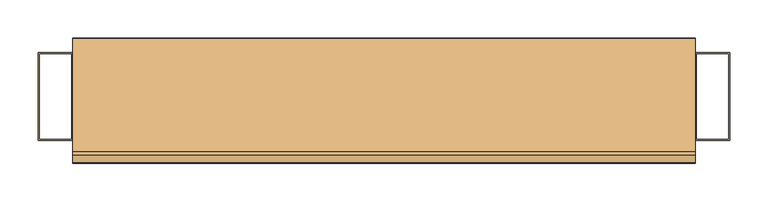
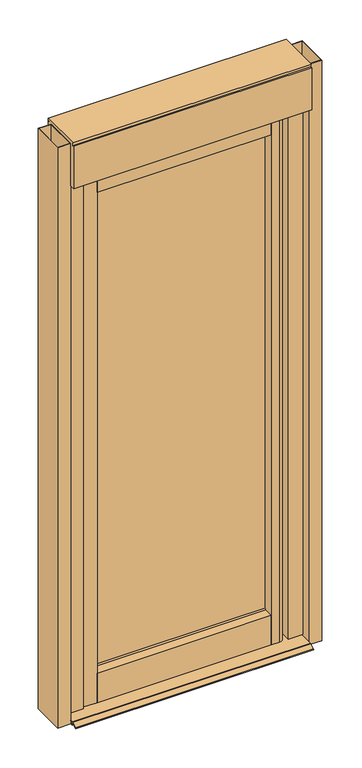
"""IFC4 building model written with IfcOpenShell, lengths in millimetres: door geometry."""

from ifc_helpers import new_model, si_unit, point, frame, frame_2d, origin, origin_with_axes, place, context, project, spatial, polyline, circle_curve, trimmed, segment, composite_curve, outline, extrude, source, transform, mapped, element, save
from ifc_brep_helpers import plane_surface, revolved_surface, advanced_brep


def door_f2a5f385(model_context):
    return source(origin(), model_context, "Body", "SolidModel", [
        extrude(outline(polyline([(405.3405018, -25.0173222), (354.3584229, -25.0173222), (354.3584229, 24.9826778), (405.3405018, 24.9826778), (405.3405018, -25.0173222)])), frame((0.0, 0.0, 18.6653125), z_axis=(0.0, 0.0, 1.0), x_axis=(1.0, 0.0, 0.0)), (0.0, 0.0, 1.0), 1919.3346875),
        extrude(outline(polyline([(-405.3405018, -25.0), (-405.3405018, 25.0), (-344.1213612, 25.0), (-344.1213612, -25.0), (-405.3405018, -25.0)])), origin_with_axes(), (0.0, 0.0, 1.0), 1938.0),
        extrude(outline(polyline([(-296.5892895, -25.0037342), (-341.5892895, -25.0037342), (-341.5892895, 24.9905166), (-296.5892895, 24.9905166), (-296.5892895, -25.0037342)])), frame((0.0, 0.0, 18.6653125), z_axis=(0.0, 0.0, 1.0), x_axis=(1.0, 0.0, 0.0)), (0.0, 0.0, 1.0), 1919.3346875),
        extrude(outline(composite_curve([segment(polyline([(296.4107105, -25.0037342), (296.4107105, 24.9905166), (324.4107105, 24.9905166)]), True, "CONTINUOUS"), segment(trimmed(circle_curve(frame_2d((324.4107105, 7.9905166)), 17.0), [point((324.4107105, 24.9905166))], [point((341.4107105, 7.9905166))], False, "CARTESIAN"), True, "CONTINUOUS"), segment(polyline([(341.4107105, 7.9905166), (341.4107105, -8.0037342)]), True, "CONTINUOUS"), segment(trimmed(circle_curve(frame_2d((324.4107105, -8.0037342)), 17.0), [point((341.4107105, -8.0037342))], [point((324.4107105, -25.0037342))], False, "CARTESIAN"), True, "CONTINUOUS"), segment(polyline([(324.4107105, -25.0037342), (296.4107105, -25.0037342)]), True, "CONTINUOUS")], self_intersect=False)), frame((0.0, 0.0, 18.6653125), z_axis=(0.0, 0.0, 1.0), x_axis=(1.0, 0.0, 0.0)), (0.0, 0.0, 1.0), 1919.3346875),
        extrude(outline(polyline([(45.0172844, -0.0536091), (42.5170063, -0.0536091), (41.4386914, 1.6224299), (27.9571715, 9.4272937), (25.4603386, 10.4453194), (24.7549553, 9.8234797), (24.7549553, -0.0536091), (22.2546772, -0.0536091), (22.2546772, 9.6960112), (21.5053689, 10.4453194), (-63.3187522, 10.4453194), (-64.0680604, 9.6960112), (-64.0680604, -0.0536091), (-66.5691997, -0.0536091), (-66.5691997, 9.8234797), (-67.2737218, 10.4453194), (-69.771416, 9.4272937), (-83.2520746, 1.6224299), (-84.3312508, -0.0536091), (-86.8315288, -0.0536091), (-86.8315288, 1.2555272), (-85.7962777, 3.0073583), (-69.771416, 12.27122), (-67.2737218, 12.9421524), (25.4603386, 12.9421524), (27.9571715, 12.27122), (43.9820332, 3.0073583), (45.0172844, 1.2555272), (45.0172844, -0.0536091)])), frame((-405.3405018, 0.0, 0.0), z_axis=(1.0, 0.0, 0.0), x_axis=(0.0, 1.0, 0.0)), (0.0, 0.0, 1.0), 810.6810036),
        extrude(outline(polyline([(-450.0, 57.3046595), (-405.3405018, 57.3046595), (-405.3405018, -57.3046595), (-450.0, -57.3046595), (-450.0, 57.3046595)]), holes=[polyline([(-448.0, -55.3046595), (-407.3405018, -55.3046595), (-407.3405018, 55.3046595), (-448.0, 55.3046595), (-448.0, -55.3046595)])]), origin_with_axes(), (0.0, 0.0, 1.0), 2090.0),
        extrude(outline(polyline([(450.0, 57.3046595), (450.0, -57.3046595), (405.3405018, -57.3046595), (405.3405018, 57.3046595), (450.0, 57.3046595)]), holes=[polyline([(448.0, -55.3046595), (448.0, 55.3046595), (407.3405018, 55.3046595), (407.3405018, -55.3046595), (448.0, -55.3046595)])]), origin_with_axes(), (0.0, 0.0, 1.0), 2090.0),
        extrude(outline(composite_curve([segment(polyline([(76.0105783, 2088.7607941), (76.0105783, 1938.0), (-76.0105783, 1938.0), (-76.0105783, 2090.0), (-70.9327225, 2090.0)]), True, "CONTINUOUS"), segment(trimmed(circle_curve(frame_2d((-82.5783531, 2093.9446224)), 12.2955585), [point((-70.9327225, 2090.0))], [point((-71.8772708, 2100.0))], True, "CARTESIAN"), True, "CONTINUOUS"), segment(polyline([(-71.8772708, 2100.0), (75.7238726, 2100.0)]), True, "CONTINUOUS"), segment(trimmed(circle_curve(frame_2d((86.4249549, 2093.9446224)), 12.2955585), [point((75.7238726, 2100.0))], [point((74.7834078, 2089.9879646))], True, "CARTESIAN"), True, "CONTINUOUS"), segment(trimmed(circle_curve(frame_2d((74.7834078, 2088.7607941)), 1.2271705), [point((74.7834078, 2089.9879646))], [point((76.0105783, 2088.7607941))], False, "CARTESIAN"), True, "CONTINUOUS")], self_intersect=False)), frame((-405.3405018, 0.0, 0.0), z_axis=(1.0, 0.0, 0.0), x_axis=(0.0, 1.0, 0.0)), (0.0, 0.0, 1.0), 810.6810036),
        extrude(outline(polyline([(296.4107105, 16.6022281), (296.4107105, 10.6022281), (-296.5892895, 10.6022281), (-296.5892895, 16.6022281), (296.4107105, 16.6022281)])), frame((0.0, 0.0, 106.6745243), z_axis=(0.0, 0.0, 1.0), x_axis=(1.0, 0.0, 0.0)), (0.0, 0.0, 1.0), 1767.9250141),
        extrude(outline(polyline([(24.9905166, 18.6653125), (-25.0037342, 18.6653125), (-25.0037342, 124.8754504), (7.4860808, 124.8754504), (10.6022281, 130.9928211), (10.6022281, 106.6745243), (16.6022281, 106.6745243), (16.6022281, 128.7336851), (18.5689602, 124.864276), (24.9905166, 124.864276), (24.9905166, 18.6653125)])), frame((-296.5892895, 0.0, 0.0), z_axis=(1.0, 0.0, 0.0), x_axis=(0.0, 1.0, 0.0)), (0.0, 0.0, 1.0), 593.0),
        advanced_brep(
        [(-296.5892895, -24.9979293, 1938.0036364), (-296.5892895, 24.9905166, 1938.0036364), (-296.5892895, 24.9905166, 1856.3978156), (-296.5892895, 23.4794939, 1856.3978156), (-296.5892895, 16.6022281, 1851.8048267), (-296.5892895, 16.6022281, 1874.5995385), (-296.5892895, 10.6022281, 1874.5995385), (-296.5892895, 10.6022281, 1851.0548381), (-296.5892895, -3.2995978, 1856.3735218), (-296.5892895, -24.9979293, 1856.3978156), (296.4107105, -24.9979293, 1938.0036364), (296.4107105, -24.9979293, 1856.3978156), (296.4107105, -3.2995978, 1856.3978156), (296.4107105, 10.6022281, 1851.0548381), (296.4107105, 10.6022281, 1874.5995385), (296.4107105, 16.6022281, 1874.5995385), (296.4107105, 16.6022281, 1851.8048267), (296.4107105, 23.4794939, 1856.3978156), (296.4107105, 24.9905166, 1856.3978156), (296.4107105, 24.9905166, 1938.0036364)],
        [
            (0, 1),
            (1, 2),
            (2, 3),
            (3, 4),
            (4, 5),
            (5, 6),
            (6, 7),
            (7, 8, circle_curve(frame((-296.5892895, -3.2995978, 1835.546079), z_axis=(1.0, 0.0, 0.0), x_axis=(0.0, 0.0, -1.0)), 20.8274428)),
            (8, 9),
            (9, 0),
            (10, 11),
            (11, 12),
            (12, 13, circle_curve(frame((296.4107105, -3.2995978, 1835.546079), z_axis=(-1.0, 0.0, 0.0), x_axis=(0.0, 0.0, -1.0)), 20.8274428)),
            (13, 14),
            (14, 15),
            (15, 16),
            (16, 17),
            (17, 18),
            (18, 19),
            (19, 10),
            (0, 10),
            (19, 1),
            (18, 2),
            (17, 3),
            (16, 4),
            (15, 5),
            (14, 6),
            (13, 7),
            (12, 8),
            (11, 9),
        ],
        [
            plane_surface(frame((-296.5892895, 0.0, 1881.9871051), z_axis=(-1.0, 0.0, 0.0), x_axis=(0.0, 1.0, 0.0))),
            plane_surface(frame((296.4107105, 0.0, 1881.9871051), z_axis=(1.0, 0.0, 0.0), x_axis=(0.0, 1.0, 0.0))),
            plane_surface(frame((-296.5892895, -24.9979293, 1938.0036364), z_axis=(0.0, 0.0, 1.0), x_axis=(1.0, 0.0, 0.0))),
            plane_surface(frame((-296.5892895, 24.9905166, 1938.0036364), z_axis=(0.0, 1.0, 0.0), x_axis=(1.0, 0.0, 0.0))),
            plane_surface(frame((-296.5892895, 24.9905166, 1856.3978156), z_axis=(0.0, 0.0, -1.0), x_axis=(1.0, 0.0, 0.0))),
            plane_surface(frame((-296.5892895, 23.4794939, 1856.3978156), z_axis=(0.0, 0.5553818601387795, -0.8315954481770503), x_axis=(1.0, 0.0, 0.0))),
            plane_surface(frame((-296.5892895, 16.6022281, 1851.8048267), z_axis=(0.0, -1.0, 0.0), x_axis=(1.0, 0.0, 0.0))),
            plane_surface(frame((-296.5892895, 16.6022281, 1874.5995385), z_axis=(0.0, 0.0, -1.0), x_axis=(1.0, 0.0, 0.0))),
            plane_surface(frame((-296.5892895, 10.6022281, 1874.5995385), z_axis=(0.0, 1.0, 0.0), x_axis=(1.0, 0.0, 0.0))),
            revolved_surface(polyline([(296.4107105, -3.2995978, 1814.7186362), (-296.5892895, -3.2995978, 1814.7186362)]), (-296.5892895, -3.2995978, 1835.546079), (1.0, 0.0, 0.0)),
            plane_surface(frame((-296.5892895, -3.2995978, 1856.3978156), z_axis=(0.0, 0.0, -1.0), x_axis=(1.0, 0.0, 0.0))),
            plane_surface(frame((-296.5892895, -24.9979293, 1856.3978156), z_axis=(0.0, -1.0, 0.0), x_axis=(1.0, 0.0, 0.0))),
        ],
        [
            (0, [[1, 2, 3, 4, 5, 6, 7, 8, 9, 10]]),
            (1, [[11, 12, 13, 14, 15, 16, 17, 18, 19, 20]]),
            (2, [[-1, 21, -20, 22]]),
            (3, [[-2, -22, -19, 23]]),
            (4, [[-3, -23, -18, 24]]),
            (5, [[-4, -24, -17, 25]]),
            (6, [[-5, -25, -16, 26]]),
            (7, [[-6, -26, -15, 27]]),
            (8, [[-7, -27, -14, 28]]),
            (9, [[-8, -28, -13, 29]]),
            (10, [[-9, -29, -12, 30]]),
            (11, [[-10, -30, -11, -21]]),
        ],
    ),
    ])


if __name__ == "__main__":
    model = new_model("IFC4")
    model_context = context("Model", 3, world=origin())
    ifc_project = project(units=[si_unit("LENGTHUNIT", "METRE", prefix="MILLI")], contexts=[model_context])
    site = spatial("IfcSite", under=ifc_project)
    building = spatial("IfcBuilding", under=site)
    placement = place(None, origin())
    door_shape = door_f2a5f385(model_context)
    element("IfcDoor", 1, at=placement, inside=building, context=model_context, shape_type="MappedRepresentation", body=[
        mapped(door_shape, transform((0.0, 0.0, 0.0), x_axis=(1.0, 0.0, 0.0), y_axis=(0.0, 1.0, 0.0), z_axis=(0.0, 0.0, 1.0))),
    ])
    save(model, "model.ifc")
